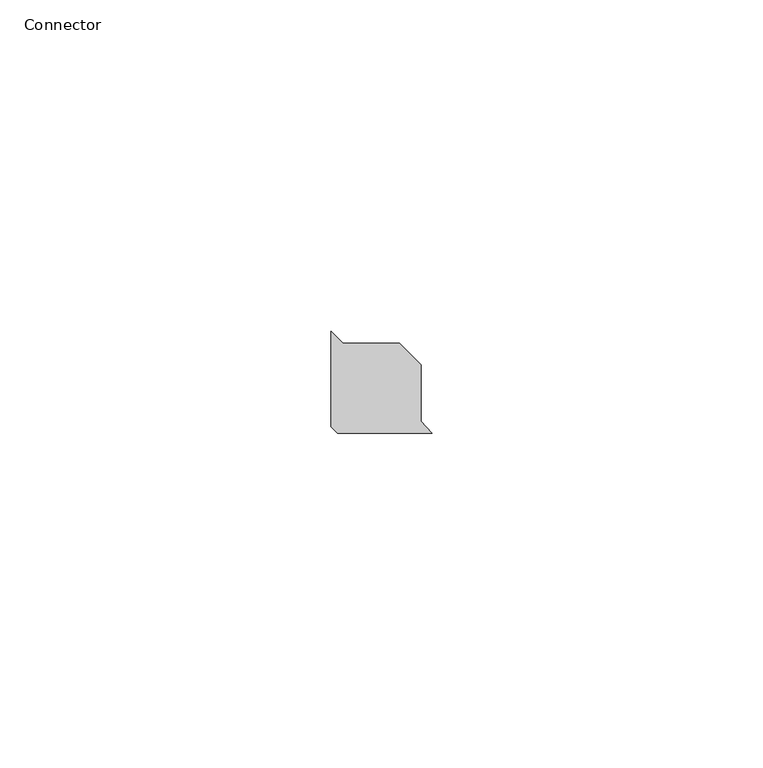
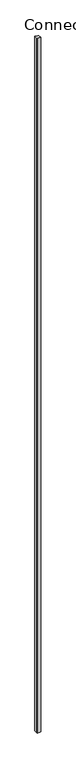
"""IFC4 building model written with IfcOpenShell, lengths in millimetres: furniture geometry, Connector."""

from ifc_helpers import new_model, si_unit, origin, origin_with_axes, place, context, project, spatial, polyline, outline, extrude, source, transform, mapped, element, save


def connector_3bcb2e43(model_context):
    return source(origin(), model_context, "Body", "SweptSolid", [
        extrude(outline(polyline([(57.8527473, 42.3773992), (56.8527473, 43.3773992), (56.8527473, 57.7518064), (58.6771541, 55.9273996), (67.1771543, 55.9273996), (70.4027477, 52.7018062), (70.4027477, 44.2099099), (72.0527478, 42.3773992), (57.8527473, 42.3773992)])), origin_with_axes(), (0.0, 0.0, 1.0), 3048.0),
    ])


if __name__ == "__main__":
    model = new_model("IFC4")
    model_context = context("Model", 3, world=origin())
    ifc_project = project(units=[si_unit("LENGTHUNIT", "METRE", prefix="MILLI")], contexts=[model_context])
    site = spatial("IfcSite", under=ifc_project)
    building = spatial("IfcBuilding", under=site)
    placement = place(None, origin())
    connector_shape = connector_3bcb2e43(model_context)
    element("IfcFurniture", 1, ObjectType="Connector", at=placement, inside=building, context=model_context, shape_type="MappedRepresentation", body=[
        mapped(connector_shape, transform((0.0, 0.0, 0.0), x_axis=(1.0, 0.0, 0.0), y_axis=(0.0, 1.0, 0.0), z_axis=(0.0, 0.0, 1.0))),
    ])
    save(model, "model.ifc")
